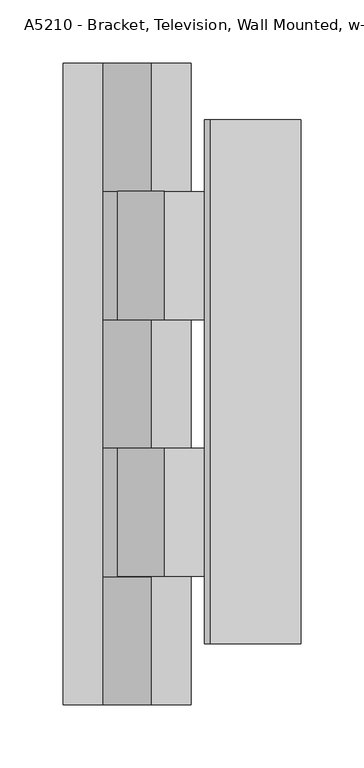
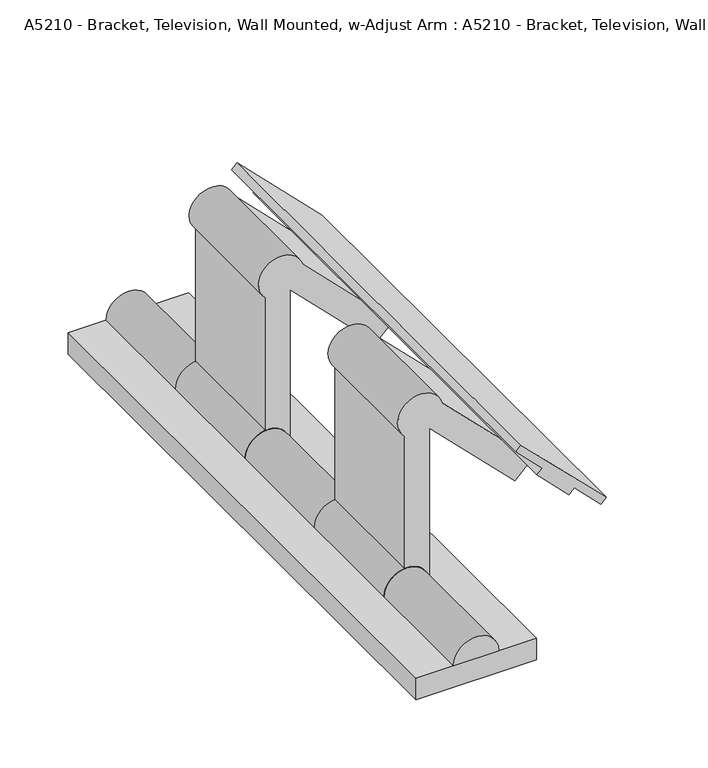
"""IFC4 building model written with IfcOpenShell, lengths in millimetres: proxy geometry, A5210 - Bracket, Television, Wall Mounted, w-Adjust Arm : A5210 - Bracket, Television, Wall Mounted, w-Adjust Arm."""

from ifc_helpers import new_model, si_unit, point, frame, frame_2d, origin, origin_with_axes, place, context, project, spatial, polyline, circle_curve, trimmed, segment, composite_curve, outline, extrude, source, transform, mapped, element, save


def a5210_bracket_television_wall_mounted_w_adjust_arm_a5210_eb2f925a(model_context):
    return source(origin(), model_context, "Body", "SweptSolid", [
        extrude(outline(polyline([(156.8608033, 65.7508765), (152.3706752, 61.2607484), (129.9200349, 83.7113887), (125.4299069, 79.2212606), (98.4891385, 106.162029), (102.9792666, 110.6521571), (80.5286263, 133.1027974), (85.0187543, 137.5929254), (156.8608033, 65.7508765)])), frame((0.0, -459.7282519, 0.0), z_axis=(0.0, 1.0, 0.0), x_axis=(0.0, 0.0, 1.0)), (0.0, 0.0, 1.0), 415.0622238),
        extrude(outline(composite_curve([segment(polyline([(155.914578, 19.05), (83.6458437, 91.3187342), (98.4891385, 106.162029), (174.8504925, 29.800675)]), True, "CONTINUOUS"), segment(trimmed(circle_curve(frame_2d((169.6547742, 11.4729089)), 19.05), [point((174.8504925, 29.800675))], [point((156.1287345, -1.9415888))], False, "CARTESIAN"), True, "CONTINUOUS"), segment(polyline([(156.1287345, -1.9415888), (38.3178779, -1.9415888)]), True, "CONTINUOUS"), segment(trimmed(circle_curve(frame_2d((19.3787695, 0.1108917)), 19.05), [point((38.3178779, -1.9415888))], [point((21.43125, 19.05))], True, "CARTESIAN"), True, "CONTINUOUS"), segment(polyline([(21.43125, 19.05), (155.914578, 19.05)]), True, "CONTINUOUS")], self_intersect=False)), frame((0.0, -203.2, 0.0), z_axis=(0.0, 1.0, 0.0), x_axis=(0.0, 0.0, 1.0)), (0.0, 0.0, 1.0), 101.6),
        extrude(outline(composite_curve([segment(polyline([(155.914578, 19.05), (83.6458437, 91.3187342), (98.4891385, 106.162029), (174.8504925, 29.800675)]), True, "CONTINUOUS"), segment(trimmed(circle_curve(frame_2d((169.6547742, 11.4729089)), 19.05), [point((174.8504925, 29.800675))], [point((156.1287345, -1.9415888))], False, "CARTESIAN"), True, "CONTINUOUS"), segment(polyline([(156.1287345, -1.9415888), (38.3178779, -1.9415888)]), True, "CONTINUOUS"), segment(trimmed(circle_curve(frame_2d((19.3787695, 0.1108917)), 19.05), [point((38.3178779, -1.9415888))], [point((21.43125, 19.05))], True, "CARTESIAN"), True, "CONTINUOUS"), segment(polyline([(21.43125, 19.05), (155.914578, 19.05)]), True, "CONTINUOUS")], self_intersect=False)), frame((0.0, -406.4, 0.0), z_axis=(0.0, 1.0, 0.0), x_axis=(0.0, 0.0, 1.0)), (0.0, 0.0, 1.0), 101.6),
        extrude(outline(composite_curve([segment(trimmed(circle_curve(frame_2d((19.05, 0.0)), 19.05), [point((19.05, 19.05))], [point((19.05, -19.05))], False, "CARTESIAN"), True, "CONTINUOUS"), segment(polyline([(19.05, -19.05), (19.05, 19.05)]), True, "CONTINUOUS")], self_intersect=False)), frame((0.0, -203.2, 0.0), z_axis=(0.0, 1.0, 0.0), x_axis=(0.0, 0.0, 1.0)), (0.0, 0.0, 1.0), 101.6),
        extrude(outline(composite_curve([segment(trimmed(circle_curve(frame_2d((19.05, 0.0)), 19.05), [point((19.05, 19.05))], [point((19.05, -19.05))], False, "CARTESIAN"), True, "CONTINUOUS"), segment(polyline([(19.05, -19.05), (19.05, 19.05)]), True, "CONTINUOUS")], self_intersect=False)), frame((0.0, -406.4, 0.0), z_axis=(0.0, 1.0, 0.0), x_axis=(0.0, 0.0, 1.0)), (0.0, 0.0, 1.0), 101.6),
        extrude(outline(composite_curve([segment(polyline([(19.05, -19.05), (19.05, 19.05)]), True, "CONTINUOUS"), segment(trimmed(circle_curve(frame_2d((19.05, 0.0)), 19.05), [point((19.05, 19.05))], [point((19.05, -19.05))], False, "CARTESIAN"), True, "CONTINUOUS")], self_intersect=False)), frame((0.0, -101.6, 0.0), z_axis=(0.0, 1.0, 0.0), x_axis=(0.0, 0.0, 1.0)), (0.0, 0.0, 1.0), 101.6),
        extrude(outline(composite_curve([segment(polyline([(19.05, -19.05), (19.05, 19.05)]), True, "CONTINUOUS"), segment(trimmed(circle_curve(frame_2d((19.05, 0.0)), 19.05), [point((19.05, 19.05))], [point((19.05, -19.05))], False, "CARTESIAN"), True, "CONTINUOUS")], self_intersect=False)), frame((0.0, -304.8, 0.0), z_axis=(0.0, 1.0, 0.0), x_axis=(0.0, 0.0, 1.0)), (0.0, 0.0, 1.0), 101.6),
        extrude(outline(composite_curve([segment(polyline([(19.05, -19.05), (19.05, 19.05)]), True, "CONTINUOUS"), segment(trimmed(circle_curve(frame_2d((19.05, 0.0)), 19.05), [point((19.05, 19.05))], [point((19.05, -19.05))], False, "CARTESIAN"), True, "CONTINUOUS")], self_intersect=False)), frame((0.0, -508.0, 0.0), z_axis=(0.0, 1.0, 0.0), x_axis=(0.0, 0.0, 1.0)), (0.0, 0.0, 1.0), 101.6),
        extrude(outline(polyline([(50.8, 0.0), (50.8, -508.0), (-50.8, -508.0), (-50.8, 0.0), (50.8, 0.0)])), origin_with_axes(), (0.0, 0.0, 1.0), 19.05),
    ])


if __name__ == "__main__":
    model = new_model("IFC4")
    model_context = context("Model", 3, world=origin())
    ifc_project = project(units=[si_unit("LENGTHUNIT", "METRE", prefix="MILLI")], contexts=[model_context])
    site = spatial("IfcSite", under=ifc_project)
    building = spatial("IfcBuilding", under=site)
    placement = place(None, origin())
    a5210_bracket_television_wall_mounted_w_adjust_arm_a5210_shape = a5210_bracket_television_wall_mounted_w_adjust_arm_a5210_eb2f925a(model_context)
    element("IfcBuildingElementProxy", 1, Name="A5210 - Bracket, Television, Wall Mounted, w-Adjust Arm : A5210 - Bracket, Television, Wall Mounted, w-Adjust Arm", ObjectType="A5210 - Bracket, Television, Wall Mounted, w-Adjust Arm : A5210 - Bracket, Television, Wall Mounted, w-Adjust Arm", at=placement, inside=building, context=model_context, shape_type="MappedRepresentation", body=[
        mapped(a5210_bracket_television_wall_mounted_w_adjust_arm_a5210_shape, transform((0.0, 0.0, 0.0), x_axis=(1.0, 0.0, 0.0), y_axis=(0.0, 1.0, 0.0), z_axis=(0.0, 0.0, 1.0))),
    ])
    save(model, "model.ifc")
